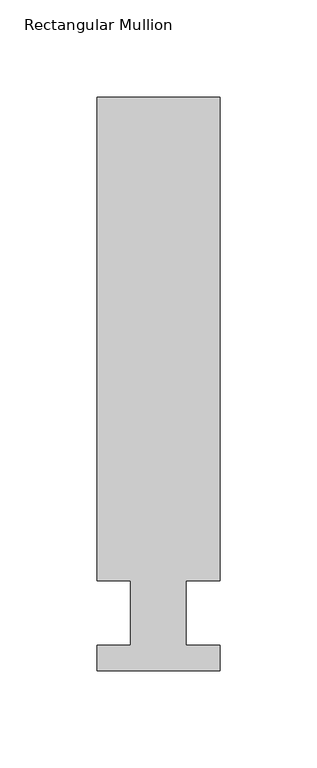
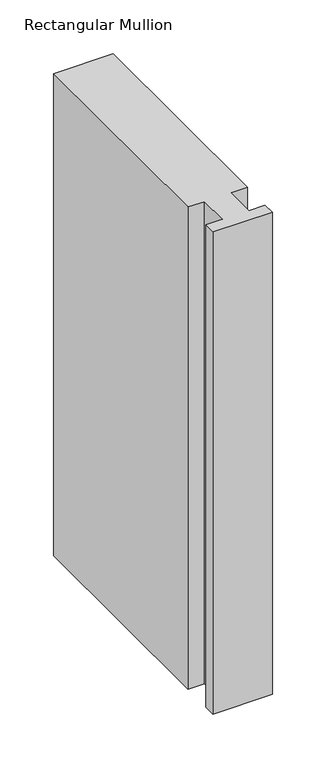
"""IFC4 building model written with IfcOpenShell, lengths in millimetres: member geometry, Rectangular Mullion."""

from ifc_helpers import new_model, si_unit, frame, origin, place, context, project, spatial, polyline, outline, extrude, source, transform, mapped, element, save


def rectangular_mullion_564e2272(model_context):
    return source(origin(), model_context, "Body", "SweptSolid", [
        extrude(outline(polyline([(-63.5000004, 13.3945322), (-46.0248007, 13.3945322), (-46.0248007, 46.7447322), (-63.4999996, 46.7447323), (-63.4999996, 295.9695324), (0.0, 295.9695321), (0.0, 46.744732), (-17.4625006, 46.7447321), (-17.4625006, 13.3945321), (-3e-07, 13.3945321), (-3e-07, 0.211932), (-63.5000004, 0.2119323), (-63.5000004, 13.3945322)])), frame((0.0, 0.0, -546.1), z_axis=(0.0, 0.0, 1.0), x_axis=(1.0, 0.0, 0.0)), (0.0, 0.0, 1.0), 546.1),
    ])


if __name__ == "__main__":
    model = new_model("IFC4")
    model_context = context("Model", 3, world=origin())
    ifc_project = project(units=[si_unit("LENGTHUNIT", "METRE", prefix="MILLI")], contexts=[model_context])
    site = spatial("IfcSite", under=ifc_project)
    building = spatial("IfcBuilding", under=site)
    placement = place(None, origin())
    rectangular_mullion_shape = rectangular_mullion_564e2272(model_context)
    element("IfcMember", 1, ObjectType="Rectangular Mullion", at=placement, inside=building, context=model_context, shape_type="MappedRepresentation", body=[
        mapped(rectangular_mullion_shape, transform((0.0, 0.0, 0.0), x_axis=(1.0, 0.0, 0.0), y_axis=(0.0, 1.0, 0.0), z_axis=(0.0, 0.0, 1.0))),
    ])
    save(model, "model.ifc")
